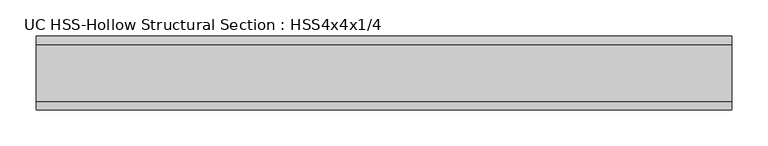
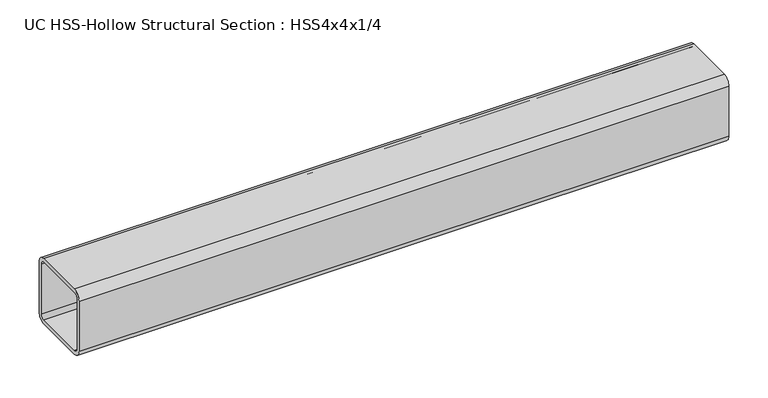
"""IFC4 building model written with IfcOpenShell, lengths in millimetres: beam geometry, UC HSS-Hollow Structural Section : HSS4x4x1/4."""

from ifc_helpers import new_model, si_unit, point, frame, frame_2d, origin, place, context, project, spatial, polyline, circle_curve, trimmed, segment, composite_curve, outline, extrude, source, transform, mapped, element, save


def uc_hss_hollow_structural_section_hss4x4x1_4_94c607e9(model_context):
    return source(origin(), model_context, "Body", "SweptSolid", [
        extrude(outline(composite_curve([segment(polyline([(50.8, 38.9636), (50.8, -38.9636)]), True, "CONTINUOUS"), segment(trimmed(circle_curve(frame_2d((38.9636, -38.9636)), 11.8364), [point((50.8, -38.9636))], [point((38.9636, -50.8))], False, "CARTESIAN"), True, "CONTINUOUS"), segment(polyline([(38.9636, -50.8), (-38.9636, -50.8)]), True, "CONTINUOUS"), segment(trimmed(circle_curve(frame_2d((-38.9636, -38.9636)), 11.8364), [point((-38.9636, -50.8))], [point((-50.8, -38.9636))], False, "CARTESIAN"), True, "CONTINUOUS"), segment(polyline([(-50.8, -38.9636), (-50.8, 38.9636)]), True, "CONTINUOUS"), segment(trimmed(circle_curve(frame_2d((-38.9636, 38.9636)), 11.8364), [point((-50.8, 38.9636))], [point((-38.9636, 50.8))], False, "CARTESIAN"), True, "CONTINUOUS"), segment(polyline([(-38.9636, 50.8), (38.9636, 50.8)]), True, "CONTINUOUS"), segment(trimmed(circle_curve(frame_2d((38.9636, 38.9636)), 11.8364), [point((38.9636, 50.8))], [point((50.8, 38.9636))], False, "CARTESIAN"), True, "CONTINUOUS")], self_intersect=False), holes=[composite_curve([segment(trimmed(circle_curve(frame_2d((-38.9636, 38.9636)), 5.9182), [point((-38.9636, 44.8818))], [point((-44.8818, 38.9636))], True, "CARTESIAN"), True, "CONTINUOUS"), segment(polyline([(-44.8818, 38.9636), (-44.8818, -38.9636)]), True, "CONTINUOUS"), segment(trimmed(circle_curve(frame_2d((-38.9636, -38.9636)), 5.9182), [point((-44.8818, -38.9636))], [point((-38.9636, -44.8818))], True, "CARTESIAN"), True, "CONTINUOUS"), segment(polyline([(-38.9636, -44.8818), (38.9636, -44.8818)]), True, "CONTINUOUS"), segment(trimmed(circle_curve(frame_2d((38.9636, -38.9636)), 5.9182), [point((38.9636, -44.8818))], [point((44.8818, -38.9636))], True, "CARTESIAN"), True, "CONTINUOUS"), segment(polyline([(44.8818, -38.9636), (44.8818, 38.9636)]), True, "CONTINUOUS"), segment(trimmed(circle_curve(frame_2d((38.9636, 38.9636)), 5.9182), [point((44.8818, 38.9636))], [point((38.9636, 44.8818))], True, "CARTESIAN"), True, "CONTINUOUS"), segment(polyline([(38.9636, 44.8818), (-38.9636, 44.8818)]), True, "CONTINUOUS")], self_intersect=False)]), frame((-418.3522938, 0.0, 0.0), z_axis=(1.0, 0.0, 0.0), x_axis=(0.0, 1.0, 0.0)), (0.0, 0.0, 1.0), 957.1676611),
    ])


if __name__ == "__main__":
    model = new_model("IFC4")
    model_context = context("Model", 3, world=origin())
    ifc_project = project(units=[si_unit("LENGTHUNIT", "METRE", prefix="MILLI")], contexts=[model_context])
    site = spatial("IfcSite", under=ifc_project)
    building = spatial("IfcBuilding", under=site)
    placement = place(None, origin())
    uc_hss_hollow_structural_section_hss4x4x1_4_shape = uc_hss_hollow_structural_section_hss4x4x1_4_94c607e9(model_context)
    element("IfcBeam", 1, ObjectType="UC HSS-Hollow Structural Section : HSS4x4x1/4", at=placement, inside=building, context=model_context, shape_type="MappedRepresentation", body=[
        mapped(uc_hss_hollow_structural_section_hss4x4x1_4_shape, transform((0.0, 0.0, 0.0), x_axis=(1.0, 0.0, 0.0), y_axis=(0.0, 1.0, 0.0), z_axis=(0.0, 0.0, 1.0))),
    ])
    save(model, "model.ifc")
